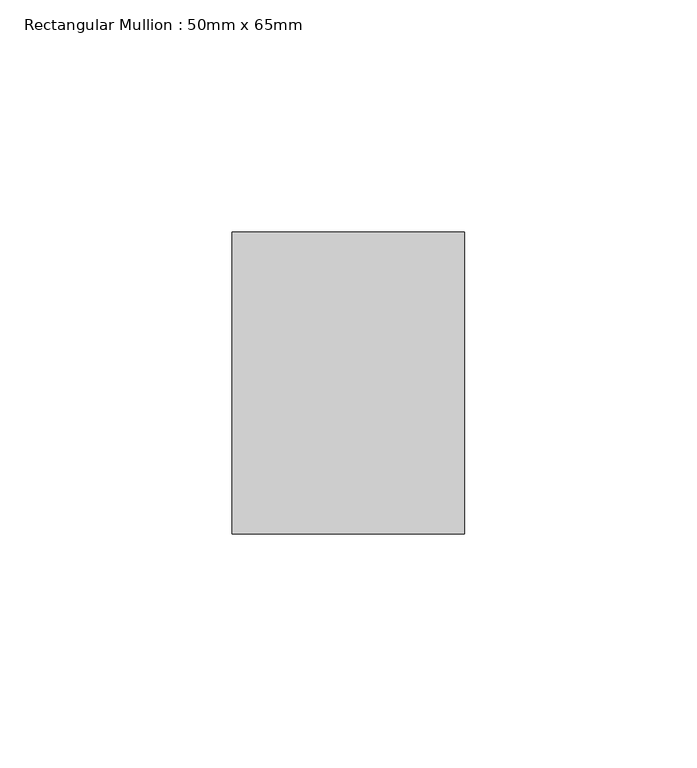
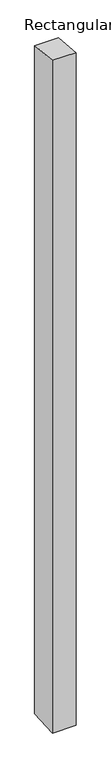
"""IFC4 building model written with IfcOpenShell, lengths in millimetres: member geometry, Rectangular Mullion : 50mm x 65mm."""

from ifc_helpers import new_model, si_unit, origin, place, context, project, spatial, faceted_brep, source, transform, mapped, element, save


def rectangular_mullion_50mm_x_65mm_04060536(model_context):
    return source(origin(), model_context, "Body", "Brep", [
        faceted_brep([(-25.0, 32.5, -3.1469359), (25.0, 32.5, -3.1469368), (25.0, 32.5, -1497.83344), (-25.0, 32.5, -1497.8334406), (-25.0, -32.5, 3.1469368), (-25.0, -32.5, -1502.165396), (25.0, -32.5, 3.1469359), (25.0, -32.5, -1502.1653954)], [[[0, 1, 2, 3]], [[4, 0, 3, 5]], [[6, 4, 5, 7]], [[1, 6, 7, 2]], [[1, 0, 4, 6]], [[2, 7, 5, 3]]]),
    ])


if __name__ == "__main__":
    model = new_model("IFC4")
    model_context = context("Model", 3, world=origin())
    ifc_project = project(units=[si_unit("LENGTHUNIT", "METRE", prefix="MILLI")], contexts=[model_context])
    site = spatial("IfcSite", under=ifc_project)
    building = spatial("IfcBuilding", under=site)
    placement = place(None, origin())
    rectangular_mullion_50mm_x_65mm_shape = rectangular_mullion_50mm_x_65mm_04060536(model_context)
    element("IfcMember", 1, ObjectType="Rectangular Mullion : 50mm x 65mm", at=placement, inside=building, context=model_context, shape_type="MappedRepresentation", body=[
        mapped(rectangular_mullion_50mm_x_65mm_shape, transform((0.0, 0.0, 0.0), x_axis=(1.0, 0.0, 0.0), y_axis=(0.0, 1.0, 0.0), z_axis=(0.0, 0.0, 1.0))),
    ])
    save(model, "model.ifc")
